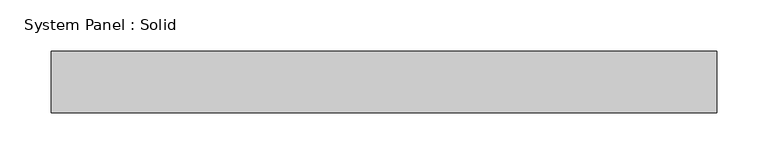
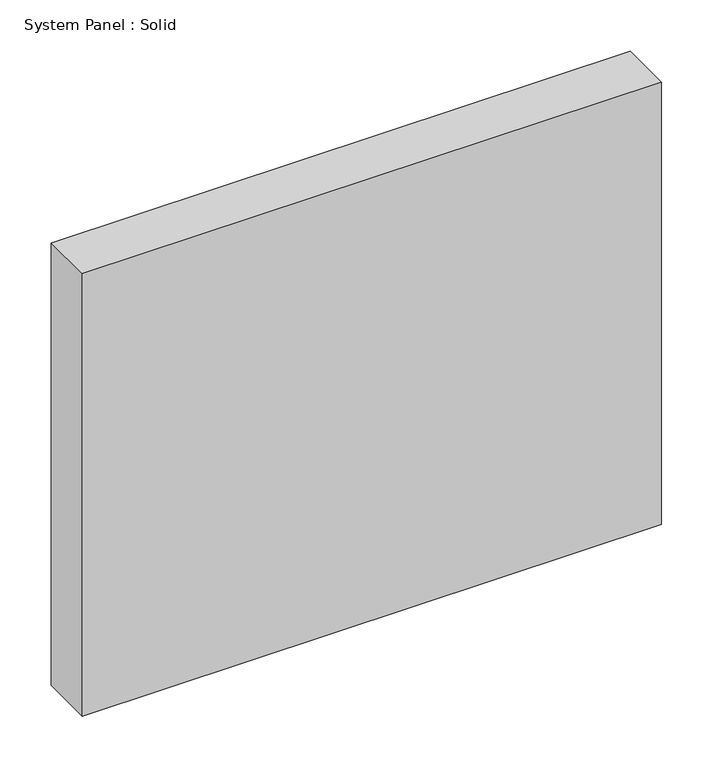
"""IFC4 building model written with IfcOpenShell, lengths in millimetres: plate geometry, System Panel : Solid."""

from ifc_helpers import new_model, si_unit, origin, origin_with_axes, place, context, project, spatial, polyline, outline, extrude, source, transform, mapped, element, save


def system_panel_solid_29b42318(model_context):
    return source(origin(), model_context, "Body", "SweptSolid", [
        extrude(outline(polyline([(325.0, -49.5), (-325.0, -49.5), (-325.0, 10.5), (325.0, 10.5), (325.0, -49.5)])), origin_with_axes(), (0.0, 0.0, 1.0), 525.0),
    ])


if __name__ == "__main__":
    model = new_model("IFC4")
    model_context = context("Model", 3, world=origin())
    ifc_project = project(units=[si_unit("LENGTHUNIT", "METRE", prefix="MILLI")], contexts=[model_context])
    site = spatial("IfcSite", under=ifc_project)
    building = spatial("IfcBuilding", under=site)
    placement = place(None, origin())
    system_panel_solid_shape = system_panel_solid_29b42318(model_context)
    element("IfcPlate", 1, ObjectType="System Panel : Solid", at=placement, inside=building, context=model_context, shape_type="MappedRepresentation", body=[
        mapped(system_panel_solid_shape, transform((0.0, 0.0, 0.0), x_axis=(1.0, 0.0, 0.0), y_axis=(0.0, 1.0, 0.0), z_axis=(0.0, 0.0, 1.0))),
    ])
    save(model, "model.ifc")
